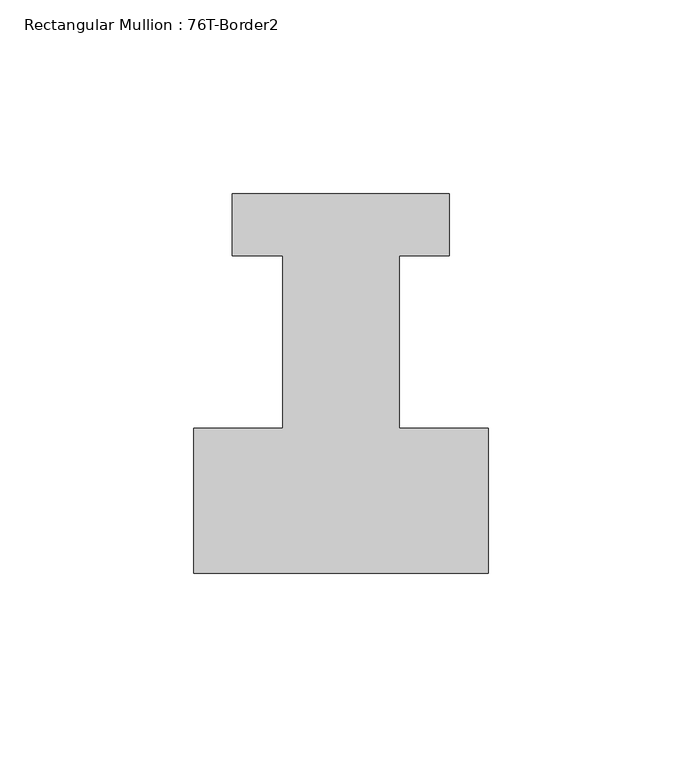
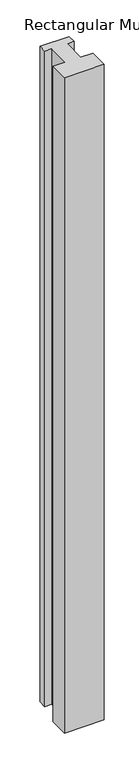
"""IFC4 building model written with IfcOpenShell, lengths in millimetres: member geometry, Rectangular Mullion : 76T-Border2."""

from ifc_helpers import new_model, si_unit, frame, origin, place, context, project, spatial, polyline, outline, extrude, source, transform, mapped, element, save


def rectangular_mullion_76t_border2_d93cf5a8(model_context):
    return source(origin(), model_context, "Body", "SweptSolid", [
        extrude(outline(polyline([(0.0, -38.0), (-76.0, -38.0), (-76.0, -0.5), (-53.0, -0.5), (-53.0, 44.0), (-66.0, 44.0), (-66.0, 60.0), (-10.0, 60.0), (-10.0, 44.0), (-23.0, 44.0), (-23.0, -0.5), (0.0, -0.5), (0.0, -38.0)])), frame((0.0, 0.0, -1322.465707), z_axis=(0.0, 0.0, 1.0), x_axis=(1.0, 0.0, 0.0)), (0.0, 0.0, 1.0), 1322.465707),
    ])


if __name__ == "__main__":
    model = new_model("IFC4")
    model_context = context("Model", 3, world=origin())
    ifc_project = project(units=[si_unit("LENGTHUNIT", "METRE", prefix="MILLI")], contexts=[model_context])
    site = spatial("IfcSite", under=ifc_project)
    building = spatial("IfcBuilding", under=site)
    placement = place(None, origin())
    rectangular_mullion_76t_border2_shape = rectangular_mullion_76t_border2_d93cf5a8(model_context)
    element("IfcMember", 1, ObjectType="Rectangular Mullion : 76T-Border2", at=placement, inside=building, context=model_context, shape_type="MappedRepresentation", body=[
        mapped(rectangular_mullion_76t_border2_shape, transform((0.0, 0.0, 0.0), x_axis=(1.0, 0.0, 0.0), y_axis=(0.0, 1.0, 0.0), z_axis=(0.0, 0.0, 1.0))),
    ])
    save(model, "model.ifc")
